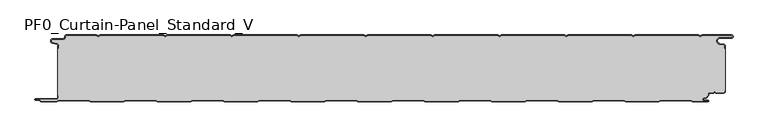
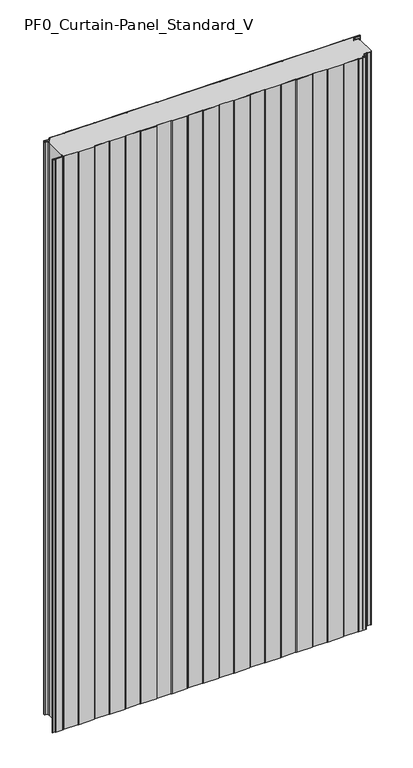
"""IFC4 building model written with IfcOpenShell, lengths in millimetres: plate geometry, PF0_Curtain-Panel_Standard_V."""

from ifc_helpers import new_model, si_unit, point, frame_2d, origin, origin_with_axes, place, context, project, spatial, polyline, circle_curve, trimmed, segment, composite_curve, outline, extrude, source, transform, mapped, element, save


def pf0_curtain_panel_standard_v_07abb684(model_context):
    return source(origin(), model_context, "Body", "SweptSolid", [
        extrude(outline(composite_curve([segment(trimmed(circle_curve(frame_2d((-502.0, -15.878557)), 2.0), [point((-500.0, -15.878557))], [point((-501.5500978, -13.9298169))], True, "CARTESIAN"), True, "CONTINUOUS"), segment(polyline([(-501.5500978, -13.9298169), (-507.7098239, -12.507732)]), True, "CONTINUOUS"), segment(trimmed(circle_curve(frame_2d((-506.9, -9.0)), 3.6), [point((-507.7098239, -12.507732))], [point((-506.9, -5.4))], False, "CARTESIAN"), True, "CONTINUOUS"), segment(polyline([(-506.9, -5.4), (-491.4, -5.4)]), True, "CONTINUOUS"), segment(trimmed(circle_curve(frame_2d((-491.4, -3.4)), 2.0), [point((-491.4, -5.4))], [point((-489.4, -3.4))], True, "CARTESIAN"), True, "CONTINUOUS"), segment(polyline([(-489.4, -3.4), (-489.4, -2.0)]), True, "CONTINUOUS"), segment(trimmed(circle_curve(frame_2d((-487.4, -2.0)), 2.0), [point((-489.4, -2.0))], [point((-487.4, 0.0))], False, "CARTESIAN"), True, "CONTINUOUS"), segment(polyline([(-487.4, 0.0), (-442.0999995, 0.0), (-439.4, -1.5588455), (-436.7000005, 0.0), (-342.0999995, 0.0), (-339.4, -1.5588455), (-336.7000005, 0.0), (-242.0999995, 0.0), (-239.4, -1.5588455), (-236.7000005, 0.0), (-142.0999995, 0.0), (-139.4, -1.5588455), (-136.7000005, 0.0), (-42.0999995, 0.0), (-39.4, -1.5588455), (-36.7000005, 0.0), (57.9000005, 0.0), (60.6, -1.5588455), (63.2999995, 0.0), (157.9000005, 0.0), (160.6, -1.5588455), (163.2999995, 0.0), (257.9000005, 0.0), (260.6, -1.5588455), (263.2999995, 0.0), (357.9000005, 0.0), (360.6, -1.5588455), (363.2999995, 0.0), (457.9000005, 0.0), (460.6, -1.5588455), (463.2999995, 0.0), (507.268846, 0.0)]), True, "CONTINUOUS"), segment(trimmed(circle_curve(frame_2d((507.268846, -2.5)), 2.5), [point((507.268846, 0.0))], [point((507.268846, -5.0))], False, "CARTESIAN"), True, "CONTINUOUS"), segment(polyline([(507.268846, -5.0), (490.268846, -5.0)]), True, "CONTINUOUS"), segment(trimmed(circle_curve(frame_2d((490.268846, -9.0)), 4.0), [point((490.268846, -5.0))], [point((489.574253, -12.939231))], True, "CARTESIAN"), True, "CONTINUOUS"), segment(polyline([(489.574253, -12.939231), (496.0203315, -14.0758491)]), True, "CONTINUOUS"), segment(trimmed(circle_curve(frame_2d((495.568846, -16.6363492)), 2.6), [point((496.0203315, -14.0758491))], [point((498.168846, -16.6363492))], False, "CARTESIAN"), True, "CONTINUOUS"), segment(polyline([(498.168846, -16.6363492), (498.168846, -20.0), (497.368846, -20.0), (497.368846, -16.6363492)]), True, "CONTINUOUS"), segment(trimmed(circle_curve(frame_2d((495.568846, -16.6363492)), 1.8), [point((497.368846, -16.6363492))], [point((495.8814129, -14.8636953))], True, "CARTESIAN"), True, "CONTINUOUS"), segment(polyline([(495.8814129, -14.8636953), (489.4353344, -13.7270772)]), True, "CONTINUOUS"), segment(trimmed(circle_curve(frame_2d((490.268846, -9.0)), 4.8), [point((489.4353344, -13.7270772))], [point((490.268846, -4.2))], False, "CARTESIAN"), True, "CONTINUOUS"), segment(polyline([(490.268846, -4.2), (507.268846, -4.2)]), True, "CONTINUOUS"), segment(trimmed(circle_curve(frame_2d((507.268846, -2.5)), 1.7), [point((507.268846, -4.2))], [point((507.268846, -0.8))], True, "CARTESIAN"), True, "CONTINUOUS"), segment(polyline([(507.268846, -0.8), (463.5143588, -0.8), (460.6, -2.482606), (457.6856412, -0.8), (363.5143588, -0.8), (360.6, -2.482606), (357.6856412, -0.8), (263.5143588, -0.8), (260.6, -2.482606), (257.6856412, -0.8), (163.5143588, -0.8), (160.6, -2.482606), (157.6856412, -0.8), (63.5143588, -0.8), (60.6, -2.482606), (57.6856412, -0.8), (-36.4856412, -0.8), (-39.4, -2.482606), (-42.3143588, -0.8), (-136.4856412, -0.8), (-139.4, -2.482606), (-142.3143588, -0.8), (-236.4856412, -0.8), (-239.4, -2.482606), (-242.3143588, -0.8), (-336.4856412, -0.8), (-339.4, -2.482606), (-342.3143588, -0.8), (-436.4856412, -0.8), (-439.4, -2.482606), (-442.3143588, -0.8), (-487.4, -0.8)]), True, "CONTINUOUS"), segment(trimmed(circle_curve(frame_2d((-487.4, -2.0)), 1.2), [point((-487.4, -0.8))], [point((-488.6, -2.0))], True, "CARTESIAN"), True, "CONTINUOUS"), segment(polyline([(-488.6, -2.0), (-488.6, -3.4)]), True, "CONTINUOUS"), segment(trimmed(circle_curve(frame_2d((-491.4, -3.4)), 2.8), [point((-488.6, -3.4))], [point((-491.4, -6.2))], False, "CARTESIAN"), True, "CONTINUOUS"), segment(polyline([(-491.4, -6.2), (-506.9, -6.2)]), True, "CONTINUOUS"), segment(trimmed(circle_curve(frame_2d((-506.9, -9.0)), 2.8), [point((-506.9, -6.2))], [point((-507.529863, -11.7282362))], True, "CARTESIAN"), True, "CONTINUOUS"), segment(polyline([(-507.529863, -11.7282362), (-501.370137, -13.150321)]), True, "CONTINUOUS"), segment(trimmed(circle_curve(frame_2d((-502.0, -15.878557)), 2.8), [point((-501.370137, -13.150321))], [point((-499.2, -15.878557))], False, "CARTESIAN"), True, "CONTINUOUS"), segment(polyline([(-499.2, -15.878557), (-499.2, -20.0), (-500.0, -20.0), (-500.0, -15.878557)]), True, "CONTINUOUS")], self_intersect=False)), origin_with_axes(), (0.0, 0.0, 1.0), 1945.7507136),
        extrude(outline(composite_curve([segment(polyline([(-499.2, -90.0), (-500.0, -90.0), (-500.0, -20.0), (-499.2, -20.0), (-499.2, -15.878557)]), True, "CONTINUOUS"), segment(trimmed(circle_curve(frame_2d((-502.0, -15.878557)), 2.8), [point((-499.2, -15.878557))], [point((-501.370137, -13.1503208))], True, "CARTESIAN"), True, "CONTINUOUS"), segment(polyline([(-501.370137, -13.1503208), (-507.529863, -11.7282362)]), True, "CONTINUOUS"), segment(trimmed(circle_curve(frame_2d((-506.9, -9.0)), 2.8), [point((-507.529863, -11.7282362))], [point((-506.9, -6.2))], False, "CARTESIAN"), True, "CONTINUOUS"), segment(polyline([(-506.9, -6.2), (-491.4, -6.2)]), True, "CONTINUOUS"), segment(trimmed(circle_curve(frame_2d((-491.4, -3.4)), 2.8), [point((-491.4, -6.2))], [point((-488.6, -3.4))], True, "CARTESIAN"), True, "CONTINUOUS"), segment(polyline([(-488.6, -3.4), (-488.6, -2.0)]), True, "CONTINUOUS"), segment(trimmed(circle_curve(frame_2d((-487.4, -2.0)), 1.2), [point((-488.6, -2.0))], [point((-487.4, -0.8))], False, "CARTESIAN"), True, "CONTINUOUS"), segment(polyline([(-487.4, -0.8), (-442.3143588, -0.8), (-439.4, -2.482606), (-436.4856412, -0.8), (-342.3143588, -0.8), (-339.4, -2.482606), (-336.4856412, -0.8), (-242.3143588, -0.8), (-239.4, -2.482606), (-236.4856412, -0.8), (-142.3143588, -0.8), (-139.4, -2.482606), (-136.4856412, -0.8), (-42.3143588, -0.8), (-39.4, -2.482606), (-36.4856412, -0.8), (57.6856412, -0.8), (60.6, -2.482606), (63.5143588, -0.8), (157.6856412, -0.8), (160.6, -2.482606), (163.5143588, -0.8), (257.6856412, -0.8), (260.6, -2.482606), (263.5143588, -0.8), (357.6856412, -0.8), (360.6, -2.482606), (363.5143588, -0.8), (457.6856412, -0.8), (460.6, -2.482606), (463.5143588, -0.8), (507.268846, -0.8)]), True, "CONTINUOUS"), segment(trimmed(circle_curve(frame_2d((507.268846, -2.5)), 1.7), [point((507.268846, -0.8))], [point((507.268846, -4.2))], False, "CARTESIAN"), True, "CONTINUOUS"), segment(polyline([(507.268846, -4.2), (490.268846, -4.2)]), True, "CONTINUOUS"), segment(trimmed(circle_curve(frame_2d((490.268846, -9.0)), 4.8), [point((490.268846, -4.2))], [point((489.4353344, -13.7270772))], True, "CARTESIAN"), True, "CONTINUOUS"), segment(polyline([(489.4353344, -13.7270772), (495.8814129, -14.8636953)]), True, "CONTINUOUS"), segment(trimmed(circle_curve(frame_2d((495.568846, -16.6363492)), 1.8), [point((495.8814129, -14.8636953))], [point((497.368846, -16.6363492))], False, "CARTESIAN"), True, "CONTINUOUS"), segment(polyline([(497.368846, -16.6363492), (497.368846, -20.0), (498.168846, -20.0), (498.168846, -83.0), (497.368846, -83.0), (497.368846, -84.4)]), True, "CONTINUOUS"), segment(trimmed(circle_curve(frame_2d((495.568846, -84.4)), 1.8), [point((497.368846, -84.4))], [point((495.568846, -86.2))], False, "CARTESIAN"), True, "CONTINUOUS"), segment(polyline([(495.568846, -86.2), (484.0002158, -86.2), (482.168846, -84.3686285), (480.3374762, -86.2), (474.168846, -86.2)]), True, "CONTINUOUS"), segment(trimmed(circle_curve(frame_2d((474.168846, -88.0)), 1.8), [point((474.168846, -86.2))], [point((472.368846, -88.0))], True, "CARTESIAN"), True, "CONTINUOUS"), segment(polyline([(472.368846, -88.0), (472.368846, -88.8276204)]), True, "CONTINUOUS"), segment(trimmed(circle_curve(frame_2d((466.9964664, -88.8276204)), 5.3723796), [point((472.368846, -88.8276204))], [point((466.9964664, -94.2))], False, "CARTESIAN"), True, "CONTINUOUS"), segment(polyline([(466.9964664, -94.2), (466.168846, -94.2)]), True, "CONTINUOUS"), segment(trimmed(circle_curve(frame_2d((466.168846, -96.4)), 2.2), [point((466.168846, -94.2))], [point((466.168846, -98.6))], True, "CARTESIAN"), True, "CONTINUOUS"), segment(polyline([(466.168846, -98.6), (472.0579973, -98.6)]), True, "CONTINUOUS"), segment(trimmed(circle_curve(frame_2d((472.0579973, -98.9)), 0.3), [point((472.0579973, -98.6))], [point((472.0579973, -99.2))], False, "CARTESIAN"), True, "CONTINUOUS"), segment(polyline([(472.0579973, -99.2), (449.2152562, -99.2), (446.6171786, -97.7), (401.3884624, -97.7), (398.7903848, -99.2), (349.2152562, -99.2), (346.6171786, -97.7), (301.3884624, -97.7), (298.7903848, -99.2), (249.2152562, -99.2), (246.6171786, -97.7), (201.3884624, -97.7), (198.7903848, -99.2), (149.2152562, -99.2), (146.6171786, -97.7), (101.3884624, -97.7), (98.7903848, -99.2), (49.2152562, -99.2), (46.6171786, -97.7), (1.3884624, -97.7), (-1.2096152, -99.2), (-50.7847438, -99.2), (-53.3828214, -97.7), (-98.6115376, -97.7), (-101.2096152, -99.2), (-150.7847438, -99.2), (-153.3828214, -97.7), (-198.6115376, -97.7), (-201.2096152, -99.2), (-250.7847438, -99.2), (-253.3828214, -97.7), (-298.6115376, -97.7), (-301.2096152, -99.2), (-350.7847438, -99.2), (-353.3828214, -97.7), (-398.6115376, -97.7), (-401.2096152, -99.2), (-450.7847438, -99.2), (-453.3828214, -97.7), (-498.6115376, -97.7), (-501.2096152, -99.2), (-524.4, -99.2)]), True, "CONTINUOUS"), segment(trimmed(circle_curve(frame_2d((-524.4, -98.4)), 0.8), [point((-524.4, -99.2))], [point((-525.2, -98.4))], False, "CARTESIAN"), True, "CONTINUOUS"), segment(trimmed(circle_curve(frame_2d((-526.9, -98.6133333)), 1.7133333), [point((-525.2, -98.4))], [point((-526.9, -96.9))], True, "CARTESIAN"), True, "CONTINUOUS"), segment(polyline([(-526.9, -96.9), (-532.8700312, -96.9)]), True, "CONTINUOUS"), segment(trimmed(circle_curve(frame_2d((-532.8700312, -96.6)), 0.3), [point((-532.8700312, -96.9))], [point((-532.8700312, -96.3))], False, "CARTESIAN"), True, "CONTINUOUS"), segment(polyline([(-532.8700312, -96.3), (-502.0, -96.3)]), True, "CONTINUOUS"), segment(trimmed(circle_curve(frame_2d((-502.0, -93.5)), 2.8), [point((-502.0, -96.3))], [point((-499.2, -93.5))], True, "CARTESIAN"), True, "CONTINUOUS"), segment(polyline([(-499.2, -93.5), (-499.2, -90.0)]), True, "CONTINUOUS")], self_intersect=False)), origin_with_axes(), (0.0, 0.0, 1.0), 1945.7507136),
        extrude(outline(composite_curve([segment(polyline([(-500.0, -90.0), (-499.2, -90.0), (-499.2, -93.5)]), True, "CONTINUOUS"), segment(trimmed(circle_curve(frame_2d((-502.0, -93.5)), 2.8), [point((-499.2, -93.5))], [point((-502.0, -96.3))], False, "CARTESIAN"), True, "CONTINUOUS"), segment(polyline([(-502.0, -96.3), (-532.8700312, -96.3)]), True, "CONTINUOUS"), segment(trimmed(circle_curve(frame_2d((-532.8700312, -96.6)), 0.3), [point((-532.8700312, -96.3))], [point((-532.8700312, -96.9))], True, "CARTESIAN"), True, "CONTINUOUS"), segment(polyline([(-532.8700312, -96.9), (-526.9, -96.9)]), True, "CONTINUOUS"), segment(trimmed(circle_curve(frame_2d((-526.9, -98.6133333)), 1.7133333), [point((-526.9, -96.9))], [point((-525.2, -98.4))], False, "CARTESIAN"), True, "CONTINUOUS"), segment(trimmed(circle_curve(frame_2d((-524.4, -98.4)), 0.8), [point((-525.2, -98.4))], [point((-524.4, -99.2))], True, "CARTESIAN"), True, "CONTINUOUS"), segment(polyline([(-524.4, -99.2), (-501.2096152, -99.2), (-498.6115376, -97.7), (-453.3828214, -97.7), (-450.7847438, -99.2), (-401.2096152, -99.2), (-398.6115376, -97.7), (-353.3828214, -97.7), (-350.7847438, -99.2), (-301.2096152, -99.2), (-298.6115376, -97.7), (-253.3828214, -97.7), (-250.7847438, -99.2), (-201.2096152, -99.2), (-198.6115376, -97.7), (-153.3828214, -97.7), (-150.7847438, -99.2), (-101.2096152, -99.2), (-98.6115376, -97.7), (-53.3828214, -97.7), (-50.7847438, -99.2), (-1.2096152, -99.2), (1.3884624, -97.7), (46.6171786, -97.7), (49.2152562, -99.2), (98.7903848, -99.2), (101.3884624, -97.7), (146.6171786, -97.7), (149.2152562, -99.2), (198.7903848, -99.2), (201.3884624, -97.7), (246.6171786, -97.7), (249.2152562, -99.2), (298.7903848, -99.2), (301.3884624, -97.7), (346.6171786, -97.7), (349.2152562, -99.2), (398.7903848, -99.2), (401.3884624, -97.7), (446.6171786, -97.7), (449.2152562, -99.2), (472.0579973, -99.2)]), True, "CONTINUOUS"), segment(trimmed(circle_curve(frame_2d((472.0579973, -98.9)), 0.3), [point((472.0579973, -99.2))], [point((472.0579973, -98.6))], True, "CARTESIAN"), True, "CONTINUOUS"), segment(polyline([(472.0579973, -98.6), (466.168846, -98.6)]), True, "CONTINUOUS"), segment(trimmed(circle_curve(frame_2d((466.168846, -96.4)), 2.2), [point((466.168846, -98.6))], [point((466.168846, -94.2))], False, "CARTESIAN"), True, "CONTINUOUS"), segment(polyline([(466.168846, -94.2), (466.9964664, -94.2)]), True, "CONTINUOUS"), segment(trimmed(circle_curve(frame_2d((466.9964664, -88.8276204)), 5.3723796), [point((466.9964664, -94.2))], [point((472.368846, -88.8276204))], True, "CARTESIAN"), True, "CONTINUOUS"), segment(polyline([(472.368846, -88.8276204), (472.368846, -88.0)]), True, "CONTINUOUS"), segment(trimmed(circle_curve(frame_2d((474.168846, -88.0)), 1.8), [point((472.368846, -88.0))], [point((474.168846, -86.2))], False, "CARTESIAN"), True, "CONTINUOUS"), segment(polyline([(474.168846, -86.2), (480.3374762, -86.2), (482.168846, -84.3686285), (484.0002158, -86.2), (495.568846, -86.2)]), True, "CONTINUOUS"), segment(trimmed(circle_curve(frame_2d((495.568846, -84.4)), 1.8), [point((495.568846, -86.2))], [point((497.368846, -84.4))], True, "CARTESIAN"), True, "CONTINUOUS"), segment(polyline([(497.368846, -84.4), (497.368846, -83.0), (498.168846, -83.0), (498.168846, -84.4)]), True, "CONTINUOUS"), segment(trimmed(circle_curve(frame_2d((495.568846, -84.4)), 2.6), [point((498.168846, -84.4))], [point((495.568846, -87.0))], False, "CARTESIAN"), True, "CONTINUOUS"), segment(polyline([(495.568846, -87.0), (483.6688448, -87.0), (482.168846, -85.4999999), (480.6688472, -87.0), (474.168846, -87.0)]), True, "CONTINUOUS"), segment(trimmed(circle_curve(frame_2d((474.168846, -88.0)), 1.0), [point((474.168846, -87.0))], [point((473.168846, -88.0))], True, "CARTESIAN"), True, "CONTINUOUS"), segment(polyline([(473.168846, -88.0), (473.168846, -88.8276204)]), True, "CONTINUOUS"), segment(trimmed(circle_curve(frame_2d((466.9964664, -88.8276204)), 6.1723796), [point((473.168846, -88.8276204))], [point((466.9964664, -95.0))], False, "CARTESIAN"), True, "CONTINUOUS"), segment(polyline([(466.9964664, -95.0), (466.168846, -95.0)]), True, "CONTINUOUS"), segment(trimmed(circle_curve(frame_2d((466.168846, -96.5)), 1.5), [point((466.168846, -95.0))], [point((466.168846, -98.0))], True, "CARTESIAN"), True, "CONTINUOUS"), segment(polyline([(466.168846, -98.0), (472.168846, -98.0)]), True, "CONTINUOUS"), segment(trimmed(circle_curve(frame_2d((472.168846, -99.0)), 1.0), [point((472.168846, -98.0))], [point((472.168846, -100.0))], False, "CARTESIAN"), True, "CONTINUOUS"), segment(polyline([(472.168846, -100.0), (449.0008969, -100.0), (446.4028193, -98.5), (401.6028217, -98.5), (399.0047441, -100.0), (349.0008969, -100.0), (346.4028193, -98.5), (301.6028217, -98.5), (299.0047441, -100.0), (249.0008969, -100.0), (246.4028193, -98.5), (201.6028217, -98.5), (199.0047441, -100.0), (149.0008969, -100.0), (146.4028193, -98.5), (101.6028217, -98.5), (99.0047441, -100.0), (49.0008969, -100.0), (46.4028193, -98.5), (1.6028217, -98.5), (-0.9952559, -100.0), (-50.9991031, -100.0), (-53.5971807, -98.5), (-98.3971783, -98.5), (-100.9952559, -100.0), (-150.9991031, -100.0), (-153.5971807, -98.5), (-198.3971783, -98.5), (-200.9952559, -100.0), (-250.9991031, -100.0), (-253.5971807, -98.5), (-298.3971783, -98.5), (-300.9952559, -100.0), (-350.9991031, -100.0), (-353.5971807, -98.5), (-398.3971783, -98.5), (-400.9952559, -100.0), (-450.9991031, -100.0), (-453.5971807, -98.5), (-498.3971783, -98.5), (-500.9952559, -100.0), (-524.4, -100.0)]), True, "CONTINUOUS"), segment(trimmed(circle_curve(frame_2d((-524.4, -98.4)), 1.6), [point((-524.4, -100.0))], [point((-526.0, -98.4))], False, "CARTESIAN"), True, "CONTINUOUS"), segment(trimmed(circle_curve(frame_2d((-526.9, -98.4)), 0.9), [point((-526.0, -98.4))], [point((-526.9, -97.5))], True, "CARTESIAN"), True, "CONTINUOUS"), segment(polyline([(-526.9, -97.5), (-533.0, -97.5)]), True, "CONTINUOUS"), segment(trimmed(circle_curve(frame_2d((-533.0, -96.5)), 1.0), [point((-533.0, -97.5))], [point((-533.0, -95.5))], False, "CARTESIAN"), True, "CONTINUOUS"), segment(polyline([(-533.0, -95.5), (-502.0, -95.5)]), True, "CONTINUOUS"), segment(trimmed(circle_curve(frame_2d((-502.0, -93.5)), 2.0), [point((-502.0, -95.5))], [point((-500.0, -93.5))], True, "CARTESIAN"), True, "CONTINUOUS"), segment(polyline([(-500.0, -93.5), (-500.0, -90.0)]), True, "CONTINUOUS")], self_intersect=False)), origin_with_axes(), (0.0, 0.0, 1.0), 1945.7507136),
    ])


if __name__ == "__main__":
    model = new_model("IFC4")
    model_context = context("Model", 3, world=origin())
    ifc_project = project(units=[si_unit("LENGTHUNIT", "METRE", prefix="MILLI")], contexts=[model_context])
    site = spatial("IfcSite", under=ifc_project)
    building = spatial("IfcBuilding", under=site)
    placement = place(None, origin())
    pf0_curtain_panel_standard_v_shape = pf0_curtain_panel_standard_v_07abb684(model_context)
    element("IfcPlate", 1, ObjectType="PF0_Curtain-Panel_Standard_V", at=placement, inside=building, context=model_context, shape_type="MappedRepresentation", body=[
        mapped(pf0_curtain_panel_standard_v_shape, transform((0.0, 0.0, 0.0), x_axis=(1.0, 0.0, 0.0), y_axis=(0.0, 1.0, 0.0), z_axis=(0.0, 0.0, 1.0))),
    ])
    save(model, "model.ifc")
